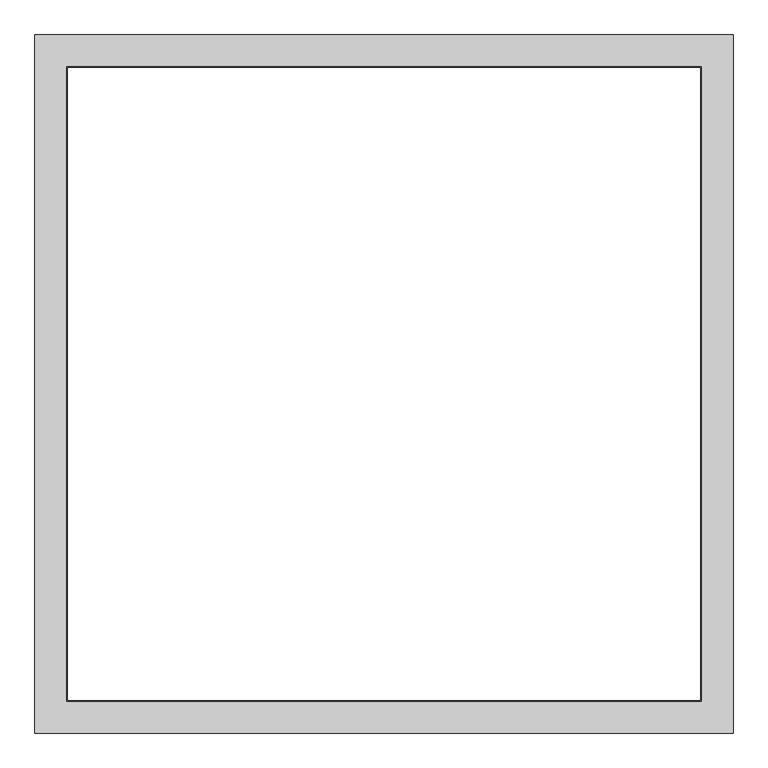
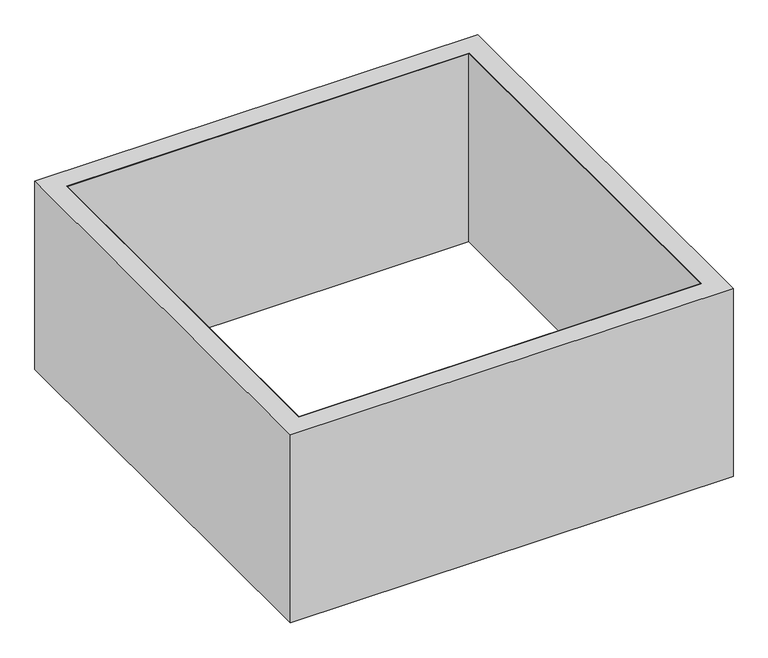
"""IFC4 building model written with IfcOpenShell, lengths in millimetres: proxy geometry."""

from ifc_helpers import new_model, si_unit, origin, origin_with_axes, place, context, project, spatial, polyline, outline, extrude, source, transform, mapped, element, save


def generic_models_0000e0be(model_context):
    return source(origin(), model_context, "Body", "SweptSolid", [
        extrude(outline(polyline([(1300.0, 1300.0), (1300.0, -1300.0), (-1300.0, -1300.0), (-1300.0, 1300.0), (1300.0, 1300.0)]), holes=[polyline([(1296.0, 1296.0), (-1296.0, 1296.0), (-1296.0, -1296.0), (1296.0, -1296.0), (1296.0, 1296.0)])]), origin_with_axes(), (0.0, 0.0, 1.0), 1285.0),
        extrude(outline(polyline([(1430.0, 1430.0), (1430.0, -1430.0), (-1430.0, -1430.0), (-1430.0, 1430.0), (1430.0, 1430.0)]), holes=[polyline([(1300.0, 1300.0), (-1300.0, 1300.0), (-1300.0, -1300.0), (1300.0, -1300.0), (1300.0, 1300.0)])]), origin_with_axes(), (0.0, 0.0, 1.0), 1285.0),
    ])


if __name__ == "__main__":
    model = new_model("IFC4")
    model_context = context("Model", 3, world=origin())
    ifc_project = project(units=[si_unit("LENGTHUNIT", "METRE", prefix="MILLI")], contexts=[model_context])
    site = spatial("IfcSite", under=ifc_project)
    building = spatial("IfcBuilding", under=site)
    placement = place(None, origin())
    generic_models_shape = generic_models_0000e0be(model_context)
    element("IfcBuildingElementProxy", 1, Name="Generic Models", at=placement, inside=building, context=model_context, shape_type="MappedRepresentation", body=[
        mapped(generic_models_shape, transform((0.0, 0.0, 0.0), x_axis=(1.0, 0.0, 0.0), y_axis=(0.0, 1.0, 0.0), z_axis=(0.0, 0.0, 1.0))),
    ])
    save(model, "model.ifc")
